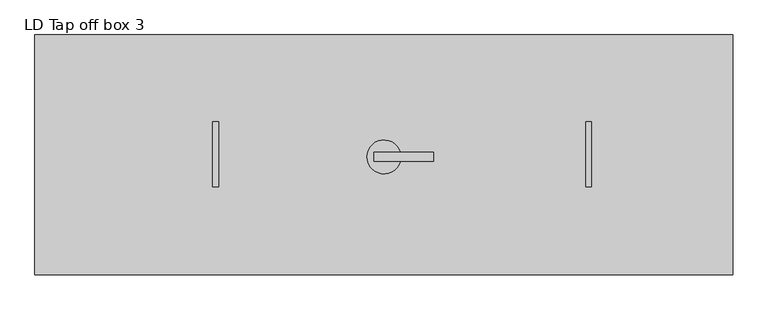
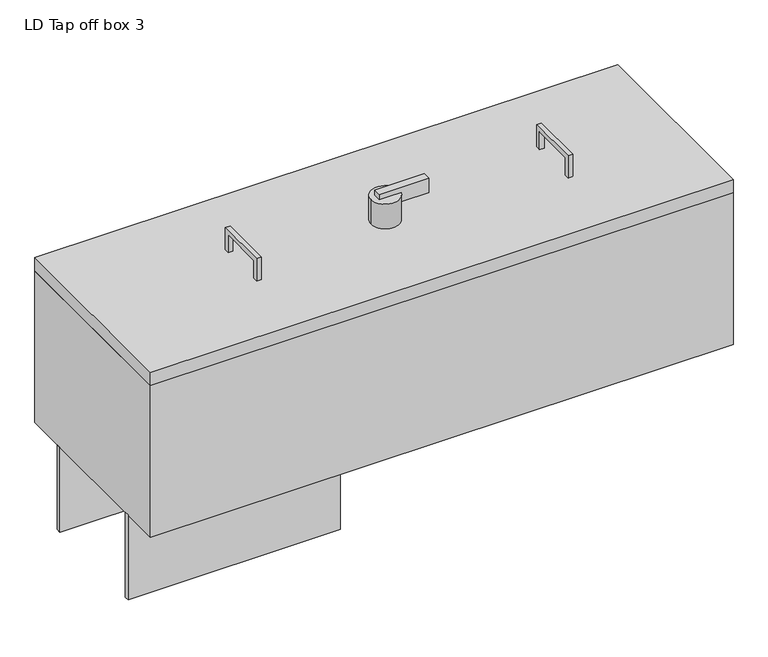
"""IFC4 building model written with IfcOpenShell, lengths in millimetres: proxy geometry, LD Tap off box 3."""

from ifc_helpers import new_model, si_unit, frame, origin, origin_with_axes, place, context, project, spatial, polyline, circle_curve, outline, extrude, source, transform, mapped, element, save
from ifc_brep_helpers import plane_surface, cylinder_surface, advanced_brep


def ld_tap_off_box_3_2429f771(model_context):
    return source(origin(), model_context, "Body", "SolidModel", [
        extrude(outline(polyline([(58.3708113, 425.0), (58.3708113, 375.0), (48.3708113, 375.0), (48.3708113, 415.0), (-46.6291887, 415.0), (-46.6291887, 375.0), (-56.6291887, 375.0), (-56.6291887, 425.0), (58.3708113, 425.0)])), frame((975.0, 0.0, 0.0), z_axis=(1.0, 0.0, 0.0), x_axis=(0.0, 1.0, 0.0)), (0.0, 0.0, 1.0), 10.0),
        extrude(outline(polyline([(58.3708113, 425.0), (58.3708113, 375.0), (48.3708113, 375.0), (48.3708113, 415.0), (-46.6291887, 415.0), (-46.6291887, 375.0), (-56.6291887, 375.0), (-56.6291887, 425.0), (58.3708113, 425.0)])), frame((315.0, 0.0, 0.0), z_axis=(1.0, 0.0, 0.0), x_axis=(0.0, 1.0, 0.0)), (0.0, 0.0, 1.0), 10.0),
        advanced_brep(
        [(587.8048934, -3.8354756, 430.0), (646.718558, -11.8354756, 430.0), (600.4461454, -11.8354756, 430.0), (600.4461454, 4.1645244, 430.0), (646.718558, 4.1645244, 430.0), (587.8048934, -3.8354756, 375.0), (647.8048934, -3.8354756, 375.0), (647.8048934, -3.8354756, 410.0), (646.718558, -11.8354756, 410.0), (646.718558, 4.1645244, 410.0), (705.4461454, 4.1645244, 442.0), (600.4461454, 4.1645244, 442.0), (600.4461454, -11.8354756, 442.0), (705.4461454, -11.8354756, 442.0), (705.4461454, 4.1645244, 410.0), (705.4461454, -11.8354756, 410.0)],
        [
            (0, 1, circle_curve(frame((617.8048934, -3.8354756, 430.0), z_axis=(0.0, 0.0, 1.0), x_axis=(1.0, 0.0, 0.0)), 30.0)),
            (1, 2),
            (2, 3),
            (3, 4),
            (4, 0, circle_curve(frame((617.8048934, -3.8354756, 430.0), z_axis=(0.0, 0.0, 1.0), x_axis=(1.0, 0.0, 0.0)), 30.0)),
            (5, 6, circle_curve(frame((617.8048934, -3.8354756, 375.0), z_axis=(0.0, 0.0, -1.0), x_axis=(1.0, 0.0, 0.0)), 30.0)),
            (6, 5, circle_curve(frame((617.8048934, -3.8354756, 375.0), z_axis=(0.0, 0.0, -1.0), x_axis=(1.0, 0.0, 0.0)), 30.0)),
            (6, 7),
            (7, 8, circle_curve(frame((617.8048934, -3.8354756, 410.0), z_axis=(0.0, 0.0, -1.0), x_axis=(1.0, 0.0, 0.0)), 30.0)),
            (8, 1),
            (0, 5),
            (4, 9),
            (9, 7, circle_curve(frame((617.8048934, -3.8354756, 410.0), z_axis=(0.0, 0.0, -1.0), x_axis=(1.0, 0.0, 0.0)), 30.0)),
            (10, 11),
            (11, 12),
            (12, 13),
            (13, 10),
            (14, 15),
            (15, 8),
            (9, 14),
            (10, 14),
            (3, 11),
            (2, 12),
            (15, 13),
        ],
        [
            plane_surface(frame((647.8048934, -3.8354756, 430.0), z_axis=(0.0, 0.0, 1.0), x_axis=(0.0, 1.0, 0.0))),
            plane_surface(frame((647.8048934, -3.8354756, 375.0), z_axis=(0.0, 0.0, -1.0), x_axis=(0.0, -1.0, 0.0))),
            cylinder_surface(frame((617.8048934, -3.8354756, 375.0), z_axis=(0.0, 0.0, 1.0), x_axis=(1.0, 0.0, 0.0)), 30.0),
            plane_surface(frame((600.4461454, 4.1645244, 442.0), z_axis=(0.0, 0.0, 1.0), x_axis=(-1.0, 0.0, 0.0))),
            plane_surface(frame((600.4461454, 4.1645244, 410.0), z_axis=(0.0, 0.0, -1.0), x_axis=(1.0, 0.0, 0.0))),
            plane_surface(frame((705.4461454, 4.1645244, 442.0), z_axis=(0.0, 1.0, 0.0), x_axis=(0.0, 0.0, -1.0))),
            plane_surface(frame((600.4461454, 4.1645244, 442.0), z_axis=(-1.0, 0.0, 0.0), x_axis=(0.0, 0.0, -1.0))),
            plane_surface(frame((600.4461454, -11.8354756, 442.0), z_axis=(0.0, -1.0, 0.0), x_axis=(0.0, 0.0, -1.0))),
            plane_surface(frame((705.4461454, -11.8354756, 442.0), z_axis=(1.0, 0.0, 0.0), x_axis=(0.0, 0.0, -1.0))),
        ],
        [
            (0, [[1, 2, 3, 4, 5]]),
            (1, [[6, 7]]),
            (2, [[-7, 8, 9, 10, -1, 11]]),
            (2, [[-6, -11, -5, 12, 13, -8]]),
            (3, [[14, 15, 16, 17]]),
            (4, [[18, 19, -9, -13, 20]]),
            (5, [[-14, 21, -20, -12, -4, 22]]),
            (6, [[-15, -22, -3, 23]]),
            (7, [[-16, -23, -2, -10, -19, 24]]),
            (8, [[-17, -24, -18, -21]]),
        ],
    ),
        extrude(outline(polyline([(450.0, 130.0), (450.0, 120.0), (0.0, 120.0), (0.0, 130.0), (450.0, 130.0)])), frame((0.0, 0.0, -185.0), z_axis=(0.0, 0.0, 1.0), x_axis=(1.0, 0.0, 0.0)), (0.0, 0.0, 1.0), 190.0),
        extrude(outline(polyline([(450.0, -120.0), (450.0, -130.0), (0.0, -130.0), (0.0, -120.0), (450.0, -120.0)])), frame((0.0, 0.0, -185.0), z_axis=(0.0, 0.0, 1.0), x_axis=(1.0, 0.0, 0.0)), (0.0, 0.0, 1.0), 190.0),
        extrude(outline(polyline([(1235.0, 212.0), (1235.0, -212.0), (0.0, -212.0), (0.0, 212.0), (1235.0, 212.0)])), frame((0.0, 0.0, 345.0), z_axis=(0.0, 0.0, 1.0), x_axis=(1.0, 0.0, 0.0)), (0.0, 0.0, 1.0), 30.0),
        extrude(outline(polyline([(1235.0, 212.0), (1235.0, -212.0), (0.0, -212.0), (0.0, 212.0), (1235.0, 212.0)])), frame((0.0, 0.0, 5.0), z_axis=(0.0, 0.0, 1.0), x_axis=(1.0, 0.0, 0.0)), (0.0, 0.0, 1.0), 340.0),
        extrude(outline(polyline([(227.0, 120.0), (227.0, -120.0), (47.0, -120.0), (47.0, 120.0), (227.0, 120.0)])), origin_with_axes(), (0.0, 0.0, 1.0), 5.0),
    ])


if __name__ == "__main__":
    model = new_model("IFC4")
    model_context = context("Model", 3, world=origin())
    ifc_project = project(units=[si_unit("LENGTHUNIT", "METRE", prefix="MILLI")], contexts=[model_context])
    site = spatial("IfcSite", under=ifc_project)
    building = spatial("IfcBuilding", under=site)
    placement = place(None, origin())
    ld_tap_off_box_3_shape = ld_tap_off_box_3_2429f771(model_context)
    element("IfcBuildingElementProxy", 1, Name="LD Tap off box 3", ObjectType="LD Tap off box 3", at=placement, inside=building, context=model_context, shape_type="MappedRepresentation", body=[
        mapped(ld_tap_off_box_3_shape, transform((0.0, 0.0, 0.0), x_axis=(1.0, 0.0, 0.0), y_axis=(0.0, 1.0, 0.0), z_axis=(0.0, 0.0, 1.0))),
    ])
    save(model, "model.ifc")
